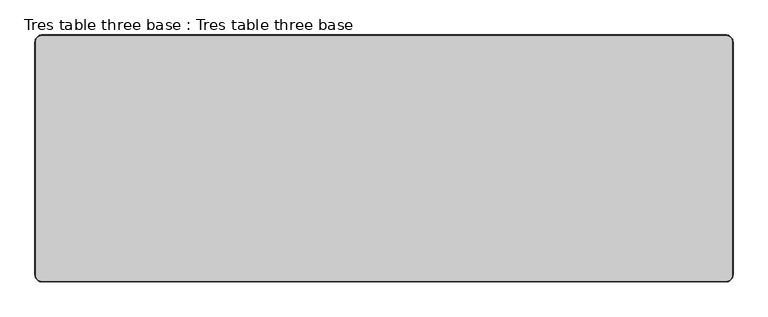
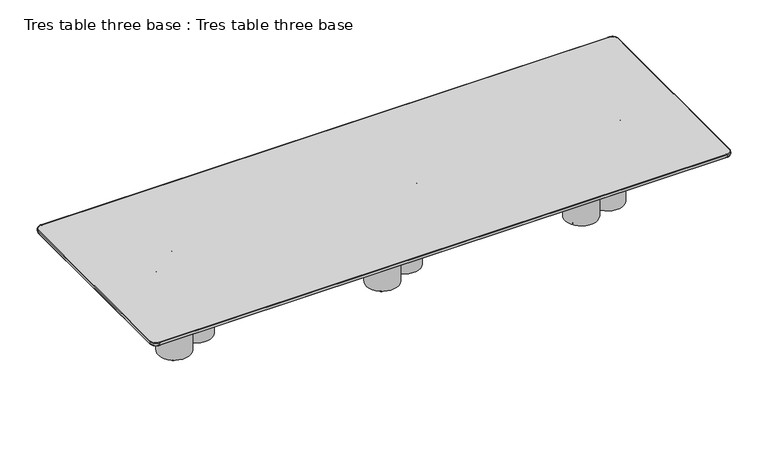
"""IFC4 building model written with IfcOpenShell, lengths in millimetres: furniture geometry, Tres table three base : Tres table three base."""

from ifc_helpers import new_model, si_unit, point, frame, frame_2d, origin, origin_with_axes, place, context, project, spatial, circle_curve, ellipse_curve, trimmed, segment, composite_curve, outline, extrude, source, transform, mapped, element, save
from ifc_brep_helpers import plane_surface, cylinder_surface, revolved_surface, advanced_brep


def tres_table_three_base_tres_table_three_base_42d66e4b(model_context):
    return source(origin(), model_context, "Body", "SolidModel", [
        extrude(outline(composite_curve([segment(trimmed(circle_curve(frame_2d((1949.3261185, -60.7536166)), 8.5), [point((1942.1974187, -56.1241848))], [point((1956.4548184, -65.3830484))], False, "CARTESIAN"), True, "CONTINUOUS"), segment(trimmed(circle_curve(frame_2d((1949.3261185, -60.7536166)), 8.5), [point((1956.4548184, -65.3830484))], [point((1942.1974187, -56.1241848))], False, "CARTESIAN"), True, "CONTINUOUS")], self_intersect=False)), origin_with_axes(), (0.0, 0.0, 1.0), 4.0),
        extrude(outline(composite_curve([segment(trimmed(circle_curve(frame_2d((1715.7979605, 1.4245754)), 8.5), [point((1708.6692607, 6.0540072))], [point((1722.9266603, -3.2048564))], False, "CARTESIAN"), True, "CONTINUOUS"), segment(trimmed(circle_curve(frame_2d((1715.7979605, 1.4245754)), 8.5), [point((1722.9266603, -3.2048564))], [point((1708.6692607, 6.0540072))], False, "CARTESIAN"), True, "CONTINUOUS")], self_intersect=False)), origin_with_axes(), (0.0, 0.0, 1.0), 4.0),
        extrude(outline(composite_curve([segment(trimmed(circle_curve(frame_2d((1479.7647921, -153.4225495)), 8.5), [point((1472.6360923, -148.7931177))], [point((1486.893492, -158.0519813))], False, "CARTESIAN"), True, "CONTINUOUS"), segment(trimmed(circle_curve(frame_2d((1479.7647921, -153.4225495)), 8.5), [point((1486.893492, -158.0519813))], [point((1472.6360923, -148.7931177))], False, "CARTESIAN"), True, "CONTINUOUS")], self_intersect=False)), origin_with_axes(), (0.0, 0.0, 1.0), 4.0),
        extrude(outline(composite_curve([segment(trimmed(circle_curve(frame_2d((1676.5310409, -44.7218345)), 8.5), [point((1669.4023411, -40.0924027))], [point((1683.6597408, -49.3512663))], False, "CARTESIAN"), True, "CONTINUOUS"), segment(trimmed(circle_curve(frame_2d((1676.5310409, -44.7218345)), 8.5), [point((1683.6597408, -49.3512663))], [point((1669.4023411, -40.0924027))], False, "CARTESIAN"), True, "CONTINUOUS")], self_intersect=False)), origin_with_axes(), (0.0, 0.0, 1.0), 4.0),
        extrude(outline(composite_curve([segment(trimmed(circle_curve(frame_2d((1702.8916429, 59.9621474)), 8.5), [point((1695.762943, 64.5915792))], [point((1710.0203427, 55.3327156))], False, "CARTESIAN"), True, "CONTINUOUS"), segment(trimmed(circle_curve(frame_2d((1702.8916429, 59.9621474)), 8.5), [point((1710.0203427, 55.3327156))], [point((1695.762943, 64.5915792))], False, "CARTESIAN"), True, "CONTINUOUS")], self_intersect=False)), origin_with_axes(), (0.0, 0.0, 1.0), 4.0),
        extrude(outline(composite_curve([segment(trimmed(circle_curve(frame_2d((1586.7163845, 260.4274371)), 8.5), [point((1579.5876846, 265.0568689))], [point((1593.8450843, 255.7980053))], False, "CARTESIAN"), True, "CONTINUOUS"), segment(trimmed(circle_curve(frame_2d((1586.7163845, 260.4274371)), 8.5), [point((1593.8450843, 255.7980053))], [point((1579.5876846, 265.0568689))], False, "CARTESIAN"), True, "CONTINUOUS")], self_intersect=False)), origin_with_axes(), (0.0, 0.0, 1.0), 4.0),
        extrude(outline(composite_curve([segment(trimmed(circle_curve(frame_2d((1573.7370562, -97.8651445)), 132.0), [point((1463.0325412, -25.9727919))], [point((1684.4415711, -169.7574972))], False, "CARTESIAN"), True, "CONTINUOUS"), segment(trimmed(circle_curve(frame_2d((1573.7370562, -97.8651445)), 132.0), [point((1684.4415711, -169.7574972))], [point((1463.0325412, -25.9727919))], False, "CARTESIAN"), True, "CONTINUOUS")], self_intersect=False), holes=[composite_curve([segment(trimmed(circle_curve(frame_2d((1573.7370562, -97.8651445)), 90.0), [point((1498.256705, -48.8476314))], [point((1649.2174073, -146.8826577))], True, "CARTESIAN"), True, "CONTINUOUS"), segment(trimmed(circle_curve(frame_2d((1573.7370562, -97.8651445)), 90.0), [point((1649.2174073, -146.8826577))], [point((1498.256705, -48.8476314))], True, "CARTESIAN"), True, "CONTINUOUS")], self_intersect=False)]), frame((0.0, 0.0, 4.0), z_axis=(0.0, 0.0, 1.0), x_axis=(1.0, 0.0, 0.0)), (0.0, 0.0, 1.0), 691.5),
        extrude(outline(composite_curve([segment(trimmed(circle_curve(frame_2d((1830.8905847, -30.4493984)), 132.0), [point((1720.1860698, 41.4429542))], [point((1941.5950997, -102.3417511))], False, "CARTESIAN"), True, "CONTINUOUS"), segment(trimmed(circle_curve(frame_2d((1830.8905847, -30.4493984)), 132.0), [point((1941.5950997, -102.3417511))], [point((1720.1860698, 41.4429542))], False, "CARTESIAN"), True, "CONTINUOUS")], self_intersect=False), holes=[composite_curve([segment(trimmed(circle_curve(frame_2d((1830.8905847, -30.4493984)), 90.0), [point((1755.4102336, 18.5681147))], [point((1906.3709358, -79.4669116))], True, "CARTESIAN"), True, "CONTINUOUS"), segment(trimmed(circle_curve(frame_2d((1830.8905847, -30.4493984)), 90.0), [point((1906.3709358, -79.4669116))], [point((1755.4102336, 18.5681147))], True, "CARTESIAN"), True, "CONTINUOUS")], self_intersect=False)]), frame((0.0, 0.0, 4.0), z_axis=(0.0, 0.0, 1.0), x_axis=(1.0, 0.0, 0.0)), (0.0, 0.0, 1.0), 691.5),
        extrude(outline(composite_curve([segment(trimmed(circle_curve(frame_2d((1644.5302144, 155.7644413)), 132.0), [point((1533.8256995, 227.6567939))], [point((1755.2347294, 83.8720887))], False, "CARTESIAN"), True, "CONTINUOUS"), segment(trimmed(circle_curve(frame_2d((1644.5302144, 155.7644413)), 132.0), [point((1755.2347294, 83.8720887))], [point((1533.8256995, 227.6567939))], False, "CARTESIAN"), True, "CONTINUOUS")], self_intersect=False), holes=[composite_curve([segment(trimmed(circle_curve(frame_2d((1644.5302144, 155.7644413)), 90.0), [point((1569.0498633, 204.7819544))], [point((1720.0105656, 106.7469281))], True, "CARTESIAN"), True, "CONTINUOUS"), segment(trimmed(circle_curve(frame_2d((1644.5302144, 155.7644413)), 90.0), [point((1720.0105656, 106.7469281))], [point((1569.0498633, 204.7819544))], True, "CARTESIAN"), True, "CONTINUOUS")], self_intersect=False)]), frame((0.0, 0.0, 4.0), z_axis=(0.0, 0.0, 1.0), x_axis=(1.0, 0.0, 0.0)), (0.0, 0.0, 1.0), 691.5),
        extrude(outline(composite_curve([segment(trimmed(circle_curve(frame_2d((283.7011185, 37.9963834)), 8.5), [point((276.5724187, 42.6258152))], [point((290.8298184, 33.3669516))], False, "CARTESIAN"), True, "CONTINUOUS"), segment(trimmed(circle_curve(frame_2d((283.7011185, 37.9963834)), 8.5), [point((290.8298184, 33.3669516))], [point((276.5724187, 42.6258152))], False, "CARTESIAN"), True, "CONTINUOUS")], self_intersect=False)), origin_with_axes(), (0.0, 0.0, 1.0), 4.0),
        extrude(outline(composite_curve([segment(trimmed(circle_curve(frame_2d((62.6729605, -5.4504246)), 8.5), [point((55.5442607, -0.8209928))], [point((69.8016603, -10.0798564))], False, "CARTESIAN"), True, "CONTINUOUS"), segment(trimmed(circle_curve(frame_2d((62.6729605, -5.4504246)), 8.5), [point((69.8016603, -10.0798564))], [point((55.5442607, -0.8209928))], False, "CARTESIAN"), True, "CONTINUOUS")], self_intersect=False)), origin_with_axes(), (0.0, 0.0, 1.0), 4.0),
        extrude(outline(composite_curve([segment(trimmed(circle_curve(frame_2d((-135.2352079, -193.4225495)), 8.5), [point((-142.3639077, -188.7931177))], [point((-128.106508, -198.0519813))], False, "CARTESIAN"), True, "CONTINUOUS"), segment(trimmed(circle_curve(frame_2d((-135.2352079, -193.4225495)), 8.5), [point((-128.106508, -198.0519813))], [point((-142.3639077, -188.7931177))], False, "CARTESIAN"), True, "CONTINUOUS")], self_intersect=False)), origin_with_axes(), (0.0, 0.0, 1.0), 4.0),
        extrude(outline(composite_curve([segment(trimmed(circle_curve(frame_2d((3.7185409, 4.6531655)), 8.5), [point((-3.4101589, 9.2825973))], [point((10.8472408, 0.0237337))], False, "CARTESIAN"), True, "CONTINUOUS"), segment(trimmed(circle_curve(frame_2d((3.7185409, 4.6531655)), 8.5), [point((10.8472408, 0.0237337))], [point((-3.4101589, 9.2825973))], False, "CARTESIAN"), True, "CONTINUOUS")], self_intersect=False)), origin_with_axes(), (0.0, 0.0, 1.0), 4.0),
        extrude(outline(composite_curve([segment(trimmed(circle_curve(frame_2d((-24.2958571, 57.7746474)), 8.5), [point((-31.424557, 62.4040792))], [point((-17.1671573, 53.1452156))], False, "CARTESIAN"), True, "CONTINUOUS"), segment(trimmed(circle_curve(frame_2d((-24.2958571, 57.7746474)), 8.5), [point((-17.1671573, 53.1452156))], [point((-31.424557, 62.4040792))], False, "CARTESIAN"), True, "CONTINUOUS")], self_intersect=False)), origin_with_axes(), (0.0, 0.0, 1.0), 4.0),
        extrude(outline(composite_curve([segment(trimmed(circle_curve(frame_2d((-66.4086155, 285.4274371)), 8.5), [point((-73.5373154, 290.0568689))], [point((-59.2799157, 280.7980053))], False, "CARTESIAN"), True, "CONTINUOUS"), segment(trimmed(circle_curve(frame_2d((-66.4086155, 285.4274371)), 8.5), [point((-59.2799157, 280.7980053))], [point((-73.5373154, 290.0568689))], False, "CARTESIAN"), True, "CONTINUOUS")], self_intersect=False)), origin_with_axes(), (0.0, 0.0, 1.0), 4.0),
        extrude(outline(composite_curve([segment(trimmed(circle_curve(frame_2d((-66.8879438, -92.8651445)), 132.0), [point((-177.5924588, -20.9727919))], [point((43.8165711, -164.7574972))], False, "CARTESIAN"), True, "CONTINUOUS"), segment(trimmed(circle_curve(frame_2d((-66.8879438, -92.8651445)), 132.0), [point((43.8165711, -164.7574972))], [point((-177.5924588, -20.9727919))], False, "CARTESIAN"), True, "CONTINUOUS")], self_intersect=False), holes=[composite_curve([segment(trimmed(circle_curve(frame_2d((-66.8879438, -92.8651445)), 90.0), [point((-142.368295, -43.8476314))], [point((8.5924073, -141.8826577))], True, "CARTESIAN"), True, "CONTINUOUS"), segment(trimmed(circle_curve(frame_2d((-66.8879438, -92.8651445)), 90.0), [point((8.5924073, -141.8826577))], [point((-142.368295, -43.8476314))], True, "CARTESIAN"), True, "CONTINUOUS")], self_intersect=False)]), frame((0.0, 0.0, 4.0), z_axis=(0.0, 0.0, 1.0), x_axis=(1.0, 0.0, 0.0)), (0.0, 0.0, 1.0), 691.5),
        extrude(outline(composite_curve([segment(trimmed(circle_curve(frame_2d((175.8905847, 17.0506016)), 132.0), [point((65.1860698, 88.9429542))], [point((286.5950997, -54.8417511))], False, "CARTESIAN"), True, "CONTINUOUS"), segment(trimmed(circle_curve(frame_2d((175.8905847, 17.0506016)), 132.0), [point((286.5950997, -54.8417511))], [point((65.1860698, 88.9429542))], False, "CARTESIAN"), True, "CONTINUOUS")], self_intersect=False), holes=[composite_curve([segment(trimmed(circle_curve(frame_2d((175.8905847, 17.0506016)), 90.0), [point((100.4102336, 66.0681147))], [point((251.3709358, -31.9669116))], True, "CARTESIAN"), True, "CONTINUOUS"), segment(trimmed(circle_curve(frame_2d((175.8905847, 17.0506016)), 90.0), [point((251.3709358, -31.9669116))], [point((100.4102336, 66.0681147))], True, "CARTESIAN"), True, "CONTINUOUS")], self_intersect=False)]), frame((0.0, 0.0, 4.0), z_axis=(0.0, 0.0, 1.0), x_axis=(1.0, 0.0, 0.0)), (0.0, 0.0, 1.0), 691.5),
        extrude(outline(composite_curve([segment(trimmed(circle_curve(frame_2d((-40.4697856, 170.7644413)), 132.0), [point((-151.1743005, 242.6567939))], [point((70.2347294, 98.8720887))], False, "CARTESIAN"), True, "CONTINUOUS"), segment(trimmed(circle_curve(frame_2d((-40.4697856, 170.7644413)), 132.0), [point((70.2347294, 98.8720887))], [point((-151.1743005, 242.6567939))], False, "CARTESIAN"), True, "CONTINUOUS")], self_intersect=False), holes=[composite_curve([segment(trimmed(circle_curve(frame_2d((-40.4697856, 170.7644413)), 90.0), [point((-115.9501367, 219.7819544))], [point((35.0105656, 121.7469281))], True, "CARTESIAN"), True, "CONTINUOUS"), segment(trimmed(circle_curve(frame_2d((-40.4697856, 170.7644413)), 90.0), [point((35.0105656, 121.7469281))], [point((-115.9501367, 219.7819544))], True, "CARTESIAN"), True, "CONTINUOUS")], self_intersect=False)]), frame((0.0, 0.0, 4.0), z_axis=(0.0, 0.0, 1.0), x_axis=(1.0, 0.0, 0.0)), (0.0, 0.0, 1.0), 691.5),
        extrude(outline(composite_curve([segment(trimmed(circle_curve(frame_2d((-1437.5486472, 37.9963834)), 8.5), [point((-1444.6773471, 42.6258152))], [point((-1430.4199474, 33.3669516))], False, "CARTESIAN"), True, "CONTINUOUS"), segment(trimmed(circle_curve(frame_2d((-1437.5486472, 37.9963834)), 8.5), [point((-1430.4199474, 33.3669516))], [point((-1444.6773471, 42.6258152))], False, "CARTESIAN"), True, "CONTINUOUS")], self_intersect=False)), origin_with_axes(), (0.0, 0.0, 1.0), 4.0),
        extrude(outline(composite_curve([segment(trimmed(circle_curve(frame_2d((-1658.5768053, -5.4504246)), 8.5), [point((-1665.7055051, -0.8209928))], [point((-1651.4481054, -10.0798564))], False, "CARTESIAN"), True, "CONTINUOUS"), segment(trimmed(circle_curve(frame_2d((-1658.5768053, -5.4504246)), 8.5), [point((-1651.4481054, -10.0798564))], [point((-1665.7055051, -0.8209928))], False, "CARTESIAN"), True, "CONTINUOUS")], self_intersect=False)), origin_with_axes(), (0.0, 0.0, 1.0), 4.0),
        extrude(outline(composite_curve([segment(trimmed(circle_curve(frame_2d((-1856.4849736, -193.4225495)), 8.5), [point((-1863.6136734, -188.7931177))], [point((-1849.3562738, -198.0519813))], False, "CARTESIAN"), True, "CONTINUOUS"), segment(trimmed(circle_curve(frame_2d((-1856.4849736, -193.4225495)), 8.5), [point((-1849.3562738, -198.0519813))], [point((-1863.6136734, -188.7931177))], False, "CARTESIAN"), True, "CONTINUOUS")], self_intersect=False)), origin_with_axes(), (0.0, 0.0, 1.0), 4.0),
        extrude(outline(composite_curve([segment(trimmed(circle_curve(frame_2d((-1717.5312248, 4.6531655)), 8.5), [point((-1724.6599247, 9.2825973))], [point((-1710.402525, 0.0237337))], False, "CARTESIAN"), True, "CONTINUOUS"), segment(trimmed(circle_curve(frame_2d((-1717.5312248, 4.6531655)), 8.5), [point((-1710.402525, 0.0237337))], [point((-1724.6599247, 9.2825973))], False, "CARTESIAN"), True, "CONTINUOUS")], self_intersect=False)), origin_with_axes(), (0.0, 0.0, 1.0), 4.0),
        extrude(outline(composite_curve([segment(trimmed(circle_curve(frame_2d((-1745.5456229, 57.7746474)), 8.5), [point((-1752.6743227, 62.4040792))], [point((-1738.4169231, 53.1452156))], False, "CARTESIAN"), True, "CONTINUOUS"), segment(trimmed(circle_curve(frame_2d((-1745.5456229, 57.7746474)), 8.5), [point((-1738.4169231, 53.1452156))], [point((-1752.6743227, 62.4040792))], False, "CARTESIAN"), True, "CONTINUOUS")], self_intersect=False)), origin_with_axes(), (0.0, 0.0, 1.0), 4.0),
        extrude(outline(composite_curve([segment(trimmed(circle_curve(frame_2d((-1787.6583813, 285.4274371)), 8.5), [point((-1794.7870811, 290.0568689))], [point((-1780.5296815, 280.7980053))], False, "CARTESIAN"), True, "CONTINUOUS"), segment(trimmed(circle_curve(frame_2d((-1787.6583813, 285.4274371)), 8.5), [point((-1780.5296815, 280.7980053))], [point((-1794.7870811, 290.0568689))], False, "CARTESIAN"), True, "CONTINUOUS")], self_intersect=False)), origin_with_axes(), (0.0, 0.0, 1.0), 4.0),
        extrude(outline(composite_curve([segment(trimmed(circle_curve(frame_2d((-1788.1377096, -92.8651445)), 132.0), [point((-1898.8422246, -20.9727919))], [point((-1677.4331946, -164.7574972))], False, "CARTESIAN"), True, "CONTINUOUS"), segment(trimmed(circle_curve(frame_2d((-1788.1377096, -92.8651445)), 132.0), [point((-1677.4331946, -164.7574972))], [point((-1898.8422246, -20.9727919))], False, "CARTESIAN"), True, "CONTINUOUS")], self_intersect=False), holes=[composite_curve([segment(trimmed(circle_curve(frame_2d((-1788.1377096, -92.8651445)), 90.0), [point((-1863.6180607, -43.8476314))], [point((-1712.6573585, -141.8826577))], True, "CARTESIAN"), True, "CONTINUOUS"), segment(trimmed(circle_curve(frame_2d((-1788.1377096, -92.8651445)), 90.0), [point((-1712.6573585, -141.8826577))], [point((-1863.6180607, -43.8476314))], True, "CARTESIAN"), True, "CONTINUOUS")], self_intersect=False)]), frame((0.0, 0.0, 4.0), z_axis=(0.0, 0.0, 1.0), x_axis=(1.0, 0.0, 0.0)), (0.0, 0.0, 1.0), 691.5),
        extrude(outline(composite_curve([segment(trimmed(circle_curve(frame_2d((-1545.359181, 17.0506016)), 132.0), [point((-1656.063696, 88.9429542))], [point((-1434.6546661, -54.8417511))], False, "CARTESIAN"), True, "CONTINUOUS"), segment(trimmed(circle_curve(frame_2d((-1545.359181, 17.0506016)), 132.0), [point((-1434.6546661, -54.8417511))], [point((-1656.063696, 88.9429542))], False, "CARTESIAN"), True, "CONTINUOUS")], self_intersect=False), holes=[composite_curve([segment(trimmed(circle_curve(frame_2d((-1545.359181, 17.0506016)), 90.0), [point((-1620.8395322, 66.0681147))], [point((-1469.8788299, -31.9669116))], True, "CARTESIAN"), True, "CONTINUOUS"), segment(trimmed(circle_curve(frame_2d((-1545.359181, 17.0506016)), 90.0), [point((-1469.8788299, -31.9669116))], [point((-1620.8395322, 66.0681147))], True, "CARTESIAN"), True, "CONTINUOUS")], self_intersect=False)]), frame((0.0, 0.0, 4.0), z_axis=(0.0, 0.0, 1.0), x_axis=(1.0, 0.0, 0.0)), (0.0, 0.0, 1.0), 691.5),
        extrude(outline(composite_curve([segment(trimmed(circle_curve(frame_2d((-1761.7195513, 170.7644413)), 132.0), [point((-1872.4240663, 242.6567939))], [point((-1651.0150363, 98.8720887))], False, "CARTESIAN"), True, "CONTINUOUS"), segment(trimmed(circle_curve(frame_2d((-1761.7195513, 170.7644413)), 132.0), [point((-1651.0150363, 98.8720887))], [point((-1872.4240663, 242.6567939))], False, "CARTESIAN"), True, "CONTINUOUS")], self_intersect=False), holes=[composite_curve([segment(trimmed(circle_curve(frame_2d((-1761.7195513, 170.7644413)), 90.0), [point((-1837.1999024, 219.7819544))], [point((-1686.2392002, 121.7469281))], True, "CARTESIAN"), True, "CONTINUOUS"), segment(trimmed(circle_curve(frame_2d((-1761.7195513, 170.7644413)), 90.0), [point((-1686.2392002, 121.7469281))], [point((-1837.1999024, 219.7819544))], True, "CARTESIAN"), True, "CONTINUOUS")], self_intersect=False)]), frame((0.0, 0.0, 4.0), z_axis=(0.0, 0.0, 1.0), x_axis=(1.0, 0.0, 0.0)), (0.0, 0.0, 1.0), 691.5),
        advanced_brep(
        [(-2346.6238792, 846.0174596, 719.875), (-2394.6238792, 798.0174596, 719.875), (-2394.6238792, -798.0178454, 719.875), (-2346.6238792, -846.0178454, 719.875), (2346.6240469, -846.0178454, 719.875), (2394.6237214, -798.0181709, 719.875), (2394.6237214, 798.0174596, 719.875), (2346.6237214, 846.0174596, 719.875), (2346.6237214, 846.0174596, 695.5), (2394.6237214, 798.0174596, 695.5), (2394.6237214, -798.0181709, 695.5), (2346.6240469, -846.0178454, 695.5), (-2346.6238792, -846.0178454, 695.5), (-2394.6238792, -798.0178454, 695.5), (-2394.6238792, 798.0174596, 695.5), (-2346.6238792, 846.0174596, 695.5), (-2346.6238792, 848.0174596, 717.875), (2346.6237214, 848.0174596, 717.875), (2346.6237214, 848.0174596, 697.4999984), (-2346.6238792, 848.0174596, 697.5), (-2396.6238792, 798.0174596, 717.875), (-2396.6238792, 798.0174596, 697.5), (-2396.6238792, -798.0178454, 717.875), (-2396.6238792, -798.0178454, 697.5), (-2346.6238792, -848.0178454, 717.875), (-2346.6238792, -848.0178454, 697.5), (2346.6240469, -848.0178454, 717.875), (2346.6240469, -848.0178454, 697.5), (2396.6237214, -798.0181709, 717.875), (2396.6237214, -798.0181709, 697.5), (2396.6237214, 798.0174596, 717.875), (2396.6237214, 798.0174596, 697.5)],
        [
            (0, 1, circle_curve(frame((-2346.6238792, 798.0174596, 719.875), z_axis=(0.0, 0.0, 1.0), x_axis=(0.0, 1.0, 0.0)), 48.0)),
            (1, 2),
            (2, 3, circle_curve(frame((-2346.6238792, -798.0178454, 719.875), z_axis=(0.0, 0.0, 1.0), x_axis=(-1.0, 0.0, 0.0)), 48.0)),
            (3, 4),
            (4, 5, circle_curve(frame((2346.6240469, -798.0181709, 719.875), z_axis=(0.0, 0.0, 1.0), x_axis=(0.0, -1.0, 0.0)), 47.9996745)),
            (5, 6),
            (6, 7, circle_curve(frame((2346.6237214, 798.0174596, 719.875), z_axis=(0.0, 0.0, 1.0), x_axis=(1.0, 0.0, 0.0)), 48.0)),
            (7, 0),
            (8, 9, circle_curve(frame((2346.6237214, 798.0174596, 695.5), z_axis=(0.0, 0.0, -1.0), x_axis=(0.0, 1.0, 0.0)), 48.0)),
            (9, 10),
            (10, 11, circle_curve(frame((2346.6240469, -798.0181709, 695.5), z_axis=(0.0, 0.0, -1.0), x_axis=(1.0, 0.0, 0.0)), 47.9996745)),
            (11, 12),
            (12, 13, circle_curve(frame((-2346.6238792, -798.0178454, 695.5), z_axis=(0.0, 0.0, -1.0), x_axis=(0.0, -1.0, 0.0)), 48.0)),
            (13, 14),
            (14, 15, circle_curve(frame((-2346.6238792, 798.0174596, 695.5), z_axis=(0.0, 0.0, -1.0), x_axis=(-1.0, 0.0, 0.0)), 48.0)),
            (15, 8),
            (16, 17),
            (17, 18),
            (18, 19),
            (19, 16),
            (20, 16, circle_curve(frame((-2346.6238792, 798.0174596, 717.875), z_axis=(0.0, 0.0, -1.0), x_axis=(1.0, 0.0, 0.0)), 50.0)),
            (19, 21, circle_curve(frame((-2346.6238792, 798.0174596, 697.5), z_axis=(0.0, 0.0, 1.0), x_axis=(1.0, 0.0, 0.0)), 50.0)),
            (21, 20),
            (22, 20),
            (21, 23),
            (23, 22),
            (24, 22, circle_curve(frame((-2346.6238792, -798.0178454, 717.875), z_axis=(0.0, 0.0, -1.0), x_axis=(1.0, 0.0, 0.0)), 50.0)),
            (23, 25, circle_curve(frame((-2346.6238792, -798.0178454, 697.5), z_axis=(0.0, 0.0, 1.0), x_axis=(1.0, 0.0, 0.0)), 50.0)),
            (25, 24),
            (26, 24),
            (25, 27),
            (27, 26),
            (28, 26, circle_curve(frame((2346.6240469, -798.0181709, 717.875), z_axis=(0.0, 0.0, -1.0), x_axis=(1.0, 0.0, 0.0)), 49.9996745)),
            (27, 29, circle_curve(frame((2346.6240469, -798.0181709, 697.5), z_axis=(0.0, 0.0, 1.0), x_axis=(1.0, 0.0, 0.0)), 49.9996745)),
            (29, 28),
            (30, 28),
            (29, 31),
            (31, 30),
            (17, 30, circle_curve(frame((2346.6237214, 798.0174596, 717.875), z_axis=(0.0, 0.0, -1.0), x_axis=(1.0, 0.0, 0.0)), 50.0)),
            (31, 18, circle_curve(frame((2346.6237214, 798.0174596, 697.5), z_axis=(0.0, 0.0, 1.0), x_axis=(1.0, 0.0, 0.0)), 50.0)),
            (20, 1, circle_curve(frame((-2394.6238792, 798.0174596, 717.875), z_axis=(0.0, 1.0, 0.0), x_axis=(1.0, 0.0, 0.0)), 2.0)),
            (0, 16, circle_curve(frame((-2346.6238792, 846.0174596, 717.875), z_axis=(-1.0, 0.0, 0.0), x_axis=(0.0, -1.0, 0.0)), 2.0)),
            (22, 2, circle_curve(frame((-2394.6238792, -798.0178454, 717.875), z_axis=(0.0, 1.0, 0.0), x_axis=(1.0, 0.0, 0.0)), 2.0)),
            (24, 3, circle_curve(frame((-2346.6238792, -846.0178454, 717.875), z_axis=(-1.0, 0.0, 0.0), x_axis=(0.0, 1.0, 0.0)), 2.0)),
            (26, 4, circle_curve(frame((2346.6240469, -846.0178454, 717.875), z_axis=(-1.0, 0.0, 0.0), x_axis=(0.0, 1.0, 0.0)), 2.0)),
            (28, 5, circle_curve(frame((2394.6237214, -798.0181709, 717.875), z_axis=(0.0, -1.0, 0.0), x_axis=(-1.0, 0.0, 0.0)), 2.0)),
            (30, 6, circle_curve(frame((2394.6237214, 798.0174596, 717.875), z_axis=(0.0, -1.0, 0.0), x_axis=(-1.0, 0.0, 0.0)), 2.0)),
            (17, 7, circle_curve(frame((2346.6237214, 846.0174596, 717.875), z_axis=(1.0, 0.0, 0.0), x_axis=(0.0, -1.0, 0.0)), 2.0)),
            (31, 9, circle_curve(frame((2394.6237214, 798.0174596, 697.5), z_axis=(0.0, 1.0, 0.0), x_axis=(-1.0, 0.0, 0.0)), 2.0)),
            (8, 18, circle_curve(frame((2346.6237214, 846.0174596, 697.5), z_axis=(1.0, 0.0, 0.0), x_axis=(0.0, -1.0, 0.0)), 2.0)),
            (29, 10, circle_curve(frame((2394.6237214, -798.0181709, 697.5), z_axis=(0.0, 1.0, 0.0), x_axis=(-1.0, 0.0, 0.0)), 2.0)),
            (27, 11, circle_curve(frame((2346.6240469, -846.0178454, 697.5), z_axis=(1.0, 0.0, 0.0), x_axis=(0.0, 1.0, 0.0)), 2.0)),
            (25, 12, circle_curve(frame((-2346.6238792, -846.0178454, 697.5), z_axis=(1.0, 0.0, 0.0), x_axis=(0.0, 1.0, 0.0)), 2.0)),
            (23, 13, circle_curve(frame((-2394.6238792, -798.0178454, 697.5), z_axis=(0.0, -1.0, 0.0), x_axis=(1.0, 0.0, 0.0)), 2.0)),
            (21, 14, circle_curve(frame((-2394.6238792, 798.0174596, 697.5), z_axis=(0.0, -1.0, 0.0), x_axis=(1.0, 0.0, 0.0)), 2.0)),
            (19, 15, circle_curve(frame((-2346.6238792, 846.0174596, 697.5), z_axis=(-1.0, 0.0, 0.0), x_axis=(0.0, -1.0, 0.0)), 2.0)),
        ],
        [
            plane_surface(frame((-2346.6238792, 848.0174596, 719.875), z_axis=(0.0, 0.0, 1.0), x_axis=(-1.0, 0.0, 0.0))),
            plane_surface(frame((-2346.6238792, 848.0174596, 695.5), z_axis=(0.0, 0.0, -1.0), x_axis=(1.0, 0.0, 0.0))),
            plane_surface(frame((2346.6237214, 848.0174596, 719.875), z_axis=(0.0, 1.0, 0.0), x_axis=(0.0, 0.0, -1.0))),
            cylinder_surface(frame((-2346.6238792, 798.0174596, 695.5), z_axis=(0.0, 0.0, 1.0), x_axis=(1.0, 0.0, 0.0)), 50.0),
            plane_surface(frame((-2396.6238792, 798.0174596, 719.875), z_axis=(-1.0, 0.0, 0.0), x_axis=(0.0, 0.0, -1.0))),
            cylinder_surface(frame((-2346.6238792, -798.0178454, 695.5), z_axis=(0.0, 0.0, 1.0), x_axis=(1.0, 0.0, 0.0)), 50.0),
            plane_surface(frame((-2346.6238792, -848.0178454, 719.875), z_axis=(0.0, -1.0, 0.0), x_axis=(0.0, 0.0, -1.0))),
            cylinder_surface(frame((2346.6240469, -798.0181709, 695.5), z_axis=(0.0, 0.0, 1.0), x_axis=(1.0, 0.0, 0.0)), 49.9996745),
            plane_surface(frame((2396.6237214, -798.0181709, 719.875), z_axis=(1.0, 0.0, 0.0), x_axis=(0.0, 0.0, -1.0))),
            cylinder_surface(frame((2346.6237214, 798.0174596, 695.5), z_axis=(0.0, 0.0, 1.0), x_axis=(1.0, 0.0, 0.0)), 50.0),
            revolved_surface(trimmed(ellipse_curve(frame((-2346.6238792, 846.0174596, 717.875), z_axis=(1.0, 0.0, 0.0), x_axis=(0.0, -1.0, 0.0)), 2.0, 2.0), [point((-2346.6238792, 848.0174596, 717.875))], [point((-2346.6238792, 846.0174596, 719.875))], True, "CARTESIAN"), (-2346.6238792, 798.0174596, 719.875), (0.0, 0.0, 1.0)),
            cylinder_surface(frame((-2394.6238792, 798.0174596, 717.875), z_axis=(0.0, -1.0, 0.0), x_axis=(1.0, 0.0, 0.0)), 2.0),
            revolved_surface(trimmed(ellipse_curve(frame((-2394.6238792, -798.0178454, 717.875), z_axis=(0.0, 1.0, 0.0), x_axis=(1.0, 0.0, 0.0)), 2.0, 2.0), [point((-2396.6238792, -798.0178454, 717.875))], [point((-2394.6238792, -798.0178454, 719.875))], True, "CARTESIAN"), (-2346.6238792, -798.0178454, 719.875), (0.0, 0.0, 1.0)),
            cylinder_surface(frame((-2346.6238792, -846.0178454, 717.875), z_axis=(1.0, 0.0, 0.0), x_axis=(0.0, 1.0, 0.0)), 2.0),
            revolved_surface(trimmed(ellipse_curve(frame((2346.6240469, -846.0178454, 717.875), z_axis=(-1.0, 0.0, 0.0), x_axis=(0.0, 1.0, 0.0)), 2.0, 2.0), [point((2346.6240469, -848.0178454, 717.875))], [point((2346.6240469, -846.0178454, 719.875))], True, "CARTESIAN"), (2346.6240469, -798.0181709, 719.875), (0.0, 0.0, 1.0)),
            cylinder_surface(frame((2394.6237214, -798.0181709, 717.875), z_axis=(0.0, 1.0, 0.0), x_axis=(-1.0, 0.0, 0.0)), 2.0),
            revolved_surface(trimmed(ellipse_curve(frame((2394.6237214, 798.0174596, 717.875), z_axis=(0.0, -1.0, 0.0), x_axis=(-1.0, 0.0, 0.0)), 2.0, 2.0), [point((2396.6237214, 798.0174596, 717.875))], [point((2394.6237214, 798.0174596, 719.875))], True, "CARTESIAN"), (2346.6237214, 798.0174596, 719.875), (0.0, 0.0, 1.0)),
            cylinder_surface(frame((2346.6237214, 846.0174596, 717.875), z_axis=(-1.0, 0.0, 0.0), x_axis=(0.0, -1.0, 0.0)), 2.0),
            revolved_surface(trimmed(ellipse_curve(frame((2346.6237214, 846.0174596, 697.5), z_axis=(-1.0, 0.0, 0.0), x_axis=(0.0, -1.0, 0.0)), 2.0, 2.0), [point((2346.6237214, 848.0174596, 697.5))], [point((2346.6237214, 846.0174596, 695.5))], True, "CARTESIAN"), (2346.6237214, 798.0174596, 695.5), (0.0, 0.0, -1.0)),
            cylinder_surface(frame((2394.6237214, 798.0174596, 697.5), z_axis=(0.0, -1.0, 0.0), x_axis=(-1.0, 0.0, 0.0)), 2.0),
            revolved_surface(trimmed(ellipse_curve(frame((2394.6237214, -798.0181709, 697.5), z_axis=(0.0, 1.0, 0.0), x_axis=(-1.0, 0.0, 0.0)), 2.0, 2.0), [point((2396.6237214, -798.0181709, 697.5))], [point((2394.6237214, -798.0181709, 695.5))], True, "CARTESIAN"), (2346.6240469, -798.0181709, 695.5), (0.0, 0.0, -1.0)),
            cylinder_surface(frame((2346.6240469, -846.0178454, 697.5), z_axis=(-1.0, 0.0, 0.0), x_axis=(0.0, 1.0, 0.0)), 2.0),
            revolved_surface(trimmed(ellipse_curve(frame((-2346.6238792, -846.0178454, 697.5), z_axis=(1.0, 0.0, 0.0), x_axis=(0.0, 1.0, 0.0)), 2.0, 2.0), [point((-2346.6238792, -848.0178454, 697.5))], [point((-2346.6238792, -846.0178454, 695.5))], True, "CARTESIAN"), (-2346.6238792, -798.0178454, 695.5), (0.0, 0.0, -1.0)),
            cylinder_surface(frame((-2394.6238792, -798.0178454, 697.5), z_axis=(0.0, 1.0, 0.0), x_axis=(1.0, 0.0, 0.0)), 2.0),
            revolved_surface(trimmed(ellipse_curve(frame((-2394.6238792, 798.0174596, 697.5), z_axis=(0.0, -1.0, 0.0), x_axis=(1.0, 0.0, 0.0)), 2.0, 2.0), [point((-2396.6238792, 798.0174596, 697.5))], [point((-2394.6238792, 798.0174596, 695.5))], True, "CARTESIAN"), (-2346.6238792, 798.0174596, 695.5), (0.0, 0.0, -1.0)),
            cylinder_surface(frame((-2346.6238792, 846.0174596, 697.5), z_axis=(1.0, 0.0, 0.0), x_axis=(0.0, -1.0, 0.0)), 2.0),
        ],
        [
            (0, [[1, 2, 3, 4, 5, 6, 7, 8]]),
            (1, [[9, 10, 11, 12, 13, 14, 15, 16]]),
            (2, [[17, 18, 19, 20]]),
            (3, [[21, -20, 22, 23]]),
            (4, [[24, -23, 25, 26]]),
            (5, [[27, -26, 28, 29]]),
            (6, [[30, -29, 31, 32]]),
            (7, [[33, -32, 34, 35]]),
            (8, [[36, -35, 37, 38]]),
            (9, [[39, -38, 40, -18]]),
            (10, [[41, -1, 42, -21]]),
            (11, [[-41, -24, 43, -2]]),
            (12, [[-43, -27, 44, -3]]),
            (13, [[-44, -30, 45, -4]]),
            (14, [[-45, -33, 46, -5]]),
            (15, [[-46, -36, 47, -6]]),
            (16, [[-47, -39, 48, -7]]),
            (17, [[-42, -8, -48, -17]]),
            (18, [[49, -9, 50, -40]]),
            (19, [[-49, -37, 51, -10]]),
            (20, [[-51, -34, 52, -11]]),
            (21, [[-52, -31, 53, -12]]),
            (22, [[-53, -28, 54, -13]]),
            (23, [[-54, -25, 55, -14]]),
            (24, [[-55, -22, 56, -15]]),
            (25, [[-50, -16, -56, -19]]),
        ],
    ),
    ])


if __name__ == "__main__":
    model = new_model("IFC4")
    model_context = context("Model", 3, world=origin())
    ifc_project = project(units=[si_unit("LENGTHUNIT", "METRE", prefix="MILLI")], contexts=[model_context])
    site = spatial("IfcSite", under=ifc_project)
    building = spatial("IfcBuilding", under=site)
    placement = place(None, origin())
    tres_table_three_base_tres_table_three_base_shape = tres_table_three_base_tres_table_three_base_42d66e4b(model_context)
    element("IfcFurniture", 1, ObjectType="Tres table three base : Tres table three base", at=placement, inside=building, context=model_context, shape_type="MappedRepresentation", body=[
        mapped(tres_table_three_base_tres_table_three_base_shape, transform((0.0, 0.0, 0.0), x_axis=(1.0, 0.0, 0.0), y_axis=(0.0, 1.0, 0.0), z_axis=(0.0, 0.0, 1.0))),
    ])
    save(model, "model.ifc")
